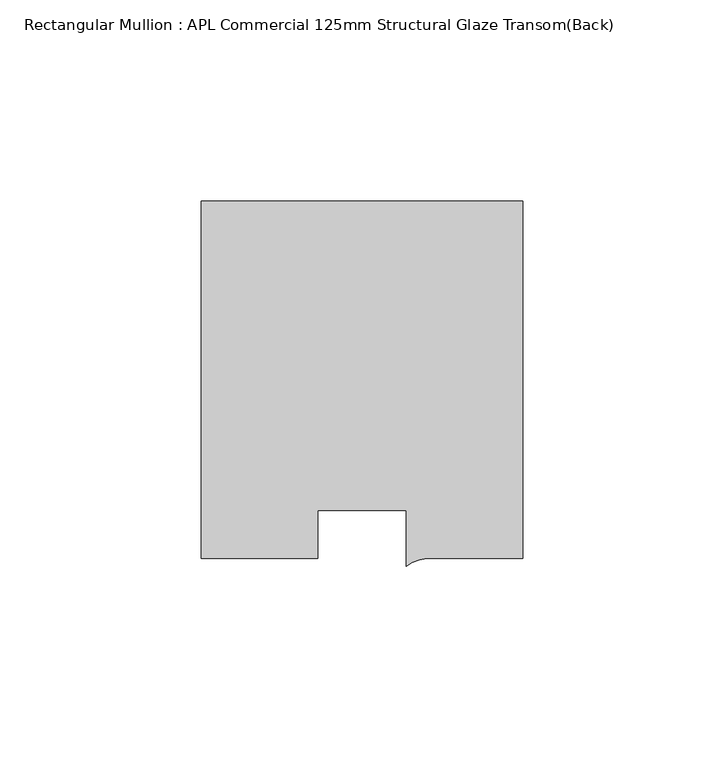
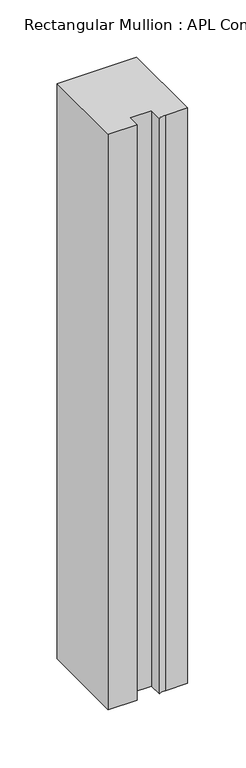
"""IFC4 building model written with IfcOpenShell, lengths in millimetres: member geometry, Rectangular Mullion : APL Commercial 125mm Structural Glaze Transom(Back)."""

from ifc_helpers import new_model, si_unit, point, frame, frame_2d, origin, place, context, project, spatial, polyline, circle_curve, trimmed, segment, composite_curve, outline, extrude, source, transform, mapped, element, save


def rectangular_mullion_apl_commercial_125mm_structural_glaze_02247ebf(model_context):
    return source(origin(), model_context, "Body", "SweptSolid", [
        extrude(outline(composite_curve([segment(polyline([(40.0, 104.0), (40.0, 15.0000829), (17.9999542, 15.0000829)]), True, "CONTINUOUS"), segment(trimmed(circle_curve(frame_2d((17.1097719, 4.581653)), 10.4563907), [point((17.9999542, 15.0000829))], [point((11.0000151, 13.0673455))], True, "CARTESIAN"), True, "CONTINUOUS"), segment(polyline([(11.0000151, 13.0673455), (11.0000151, 27.0), (-11.0000151, 27.0), (-11.0000151, 15.0000829), (-40.0, 15.0000829), (-40.0, 104.0), (40.0, 104.0)]), True, "CONTINUOUS")], self_intersect=False)), frame((0.0, 0.0, -613.1972486), z_axis=(0.0, 0.0, 1.0), x_axis=(1.0, 0.0, 0.0)), (0.0, 0.0, 1.0), 613.1972486),
    ])


if __name__ == "__main__":
    model = new_model("IFC4")
    model_context = context("Model", 3, world=origin())
    ifc_project = project(units=[si_unit("LENGTHUNIT", "METRE", prefix="MILLI")], contexts=[model_context])
    site = spatial("IfcSite", under=ifc_project)
    building = spatial("IfcBuilding", under=site)
    placement = place(None, origin())
    rectangular_mullion_apl_commercial_125mm_structural_glaze_shape = rectangular_mullion_apl_commercial_125mm_structural_glaze_02247ebf(model_context)
    element("IfcMember", 1, ObjectType="Rectangular Mullion : APL Commercial 125mm Structural Glaze Transom(Back)", at=placement, inside=building, context=model_context, shape_type="MappedRepresentation", body=[
        mapped(rectangular_mullion_apl_commercial_125mm_structural_glaze_shape, transform((0.0, 0.0, 0.0), x_axis=(1.0, 0.0, 0.0), y_axis=(0.0, 1.0, 0.0), z_axis=(0.0, 0.0, 1.0))),
    ])
    save(model, "model.ifc")
